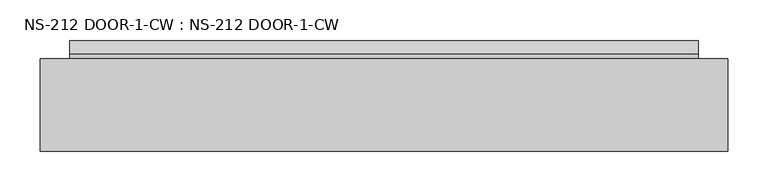
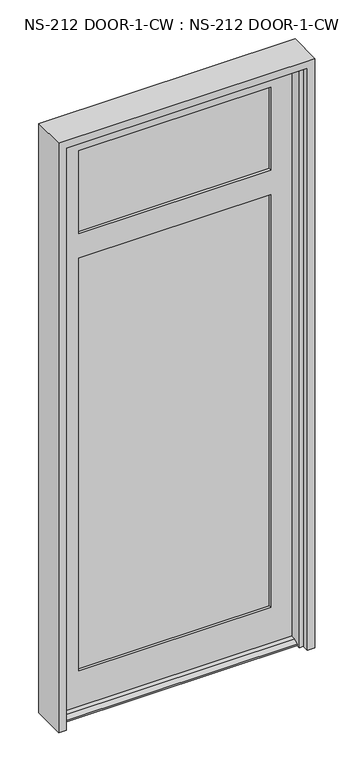
"""IFC4 building model written with IfcOpenShell, lengths in millimetres: plate geometry, NS-212 DOOR-1-CW : NS-212 DOOR-1-CW."""

from ifc_helpers import new_model, si_unit, frame, origin, place, context, project, spatial, polyline, outline, extrude, faceted_brep, source, transform, mapped, element, save


def ns_212_door_1_cw_ns_212_door_1_cw_ab19018a(model_context):
    return source(origin(), model_context, "Body", "SolidModel", [
        faceted_brep([(-391.7632958, -26.2585632, 0.0), (-391.7632958, -26.2585632, 2041.13765), (391.7632958, -26.2585632, 2041.13765), (391.7632958, -26.2585632, 0.0), (388.9946958, -26.2585632, 0.0), (388.9946958, -26.2585632, 12.7), (-388.9946958, -26.2585632, 12.7), (-388.9946958, -26.2585632, 0.0), (-318.7382958, -26.2585632, 138.1125), (318.7382958, -26.2585632, 138.1125), (318.7382958, -26.2585632, 1588.70015), (-318.7382958, -26.2585632, 1588.70015), (-318.7382958, -26.2585632, 1674.42515), (318.7382958, -26.2585632, 1674.42515), (318.7382958, -26.2585632, 1964.93765), (-318.7382958, -26.2585632, 1964.93765), (-318.7382958, -35.7835632, 1964.93765), (318.7382958, -35.7835632, 1964.93765), (-325.8820458, -35.7835632, 1972.0814), (-325.8820458, -35.7835632, 1667.2814), (325.8820458, -35.7835632, 1667.2814), (325.8820458, -35.7835632, 1972.0814), (-318.7382958, -35.7835632, 1674.42515), (318.7382958, -35.7835632, 1674.42515), (-325.8820458, -35.7835632, 1595.8439), (-325.8820458, -35.7835632, 130.96875), (325.8820458, -35.7835632, 130.96875), (325.8820458, -35.7835632, 1595.8439), (-318.7382958, -35.7835632, 138.1125), (-318.7382958, -35.7835632, 1588.70015), (318.7382958, -35.7835632, 1588.70015), (318.7382958, -35.7835632, 138.1125), (325.8820458, -61.1835632, 1972.0814), (-325.8820458, -61.1835632, 1972.0814), (-325.8820458, -61.1835632, 1667.2814), (325.8820458, -61.1835632, 1667.2814), (-318.7382958, -61.1835632, 1964.93765), (-318.7382958, -61.1835632, 1674.42515), (318.7382958, -61.1835632, 1674.42515), (318.7382958, -61.1835632, 1964.93765), (-325.8820458, -61.1835632, 130.96875), (-325.8820458, -61.1835632, 1595.8439), (325.8820458, -61.1835632, 1595.8439), (325.8820458, -61.1835632, 130.96875), (-318.7382958, -61.1835632, 1588.70015), (-318.7382958, -61.1835632, 138.1125), (318.7382958, -61.1835632, 138.1125), (318.7382958, -61.1835632, 1588.70015), (-318.7382958, -70.7085632, 1964.93765), (318.7382958, -70.7085632, 1964.93765), (-388.9946958, -70.7085632, 2041.13765), (-388.9946958, -70.7085632, 12.7), (388.9946958, -70.7085632, 12.7), (388.9946958, -70.7085632, 2041.13765), (-318.7382958, -70.7085632, 1588.70015), (318.7382958, -70.7085632, 1588.70015), (318.7382958, -70.7085632, 138.1125), (-318.7382958, -70.7085632, 138.1125), (-318.7382958, -70.7085632, 1674.42515), (318.7382958, -70.7085632, 1674.42515), (388.9946958, -87.3583086, 12.7), (388.9946958, -104.046154, 4.9183299), (388.9946958, -104.046154, 0.0), (388.9946958, -70.7085632, 0.0), (388.9946958, -2.4460632, 0.0), (388.9946958, -2.4460632, 4.9183299), (388.9946958, -19.1339086, 12.7), (-388.9946958, -19.1339086, 12.7), (-388.9946958, -2.4460632, 4.9183299), (-388.9946958, -2.4460632, 0.0), (-388.9946958, -104.046154, 0.0), (-388.9946958, -104.046154, 4.9183299), (-388.9946958, -87.3583086, 12.7), (-388.9946958, -70.7085632, 0.0)], [[[0, 1, 2, 3, 4, 5, 6, 7], [8, 9, 10, 11], [12, 13, 14, 15]], [[16, 15, 14, 17]], [[18, 19, 20, 21], [22, 16, 17, 23]], [[24, 25, 26, 27], [28, 29, 30, 31]], [[32, 33, 18, 21]], [[34, 33, 32, 35], [36, 37, 38, 39]], [[40, 41, 42, 43], [44, 45, 46, 47]], [[48, 36, 39, 49]], [[50, 51, 52, 53], [54, 55, 56, 57], [58, 48, 49, 59]], [[2, 1, 50, 53]], [[52, 60, 61, 62, 63]], [[64, 65, 66, 5, 4]], [[6, 67, 68, 69, 7]], [[70, 71, 72, 51, 73]], [[8, 28, 31, 9]], [[26, 25, 40, 43]], [[45, 57, 56, 46]], [[60, 52, 51, 72]], [[62, 70, 73, 0, 7, 69, 64, 4, 3, 63]], [[6, 5, 66, 67]], [[12, 22, 23, 13]], [[20, 19, 34, 35]], [[37, 58, 59, 38]], [[54, 44, 47, 55]], [[42, 41, 24, 27]], [[29, 11, 10, 30]], [[61, 60, 72, 71]], [[62, 61, 71, 70]], [[65, 64, 69, 68]], [[66, 65, 68, 67]], [[37, 36, 48, 58]], [[54, 57, 45, 44]], [[18, 33, 34, 19]], [[40, 25, 24, 41]], [[8, 11, 29, 28]], [[12, 15, 16, 22]], [[50, 1, 0, 73, 51]], [[2, 53, 52, 63, 3]], [[23, 17, 14, 13]], [[10, 9, 31, 30]], [[21, 20, 35, 32]], [[43, 42, 27, 26]], [[59, 49, 39, 38]], [[47, 46, 56, 55]]]),
        extrude(outline(polyline([(325.8820458, -35.7835632), (325.8820458, -42.1335632), (-325.8820458, -42.1335632), (-325.8820458, -35.7835632), (325.8820458, -35.7835632)])), frame((0.0, 0.0, 1667.2814), z_axis=(0.0, 0.0, 1.0), x_axis=(1.0, 0.0, 0.0)), (0.0, 0.0, 1.0), 304.8),
        extrude(outline(polyline([(325.8820458, -54.8335632), (325.8820458, -61.1835632), (-325.8820458, -61.1835632), (-325.8820458, -54.8335632), (325.8820458, -54.8335632)])), frame((0.0, 0.0, 1667.2814), z_axis=(0.0, 0.0, 1.0), x_axis=(1.0, 0.0, 0.0)), (0.0, 0.0, 1.0), 304.8),
        extrude(outline(polyline([(325.8820458, -35.7835632), (325.8820458, -42.1335632), (-325.8820458, -42.1335632), (-325.8820458, -35.7835632), (325.8820458, -35.7835632)])), frame((0.0, 0.0, 130.96875), z_axis=(0.0, 0.0, 1.0), x_axis=(1.0, 0.0, 0.0)), (0.0, 0.0, 1.0), 1464.87515),
        extrude(outline(polyline([(325.8820458, -54.8335632), (325.8820458, -61.1835632), (-325.8820458, -61.1835632), (-325.8820458, -54.8335632), (325.8820458, -54.8335632)])), frame((0.0, 0.0, 130.96875), z_axis=(0.0, 0.0, 1.0), x_axis=(1.0, 0.0, 0.0)), (0.0, 0.0, 1.0), 1464.87515),
        faceted_brep([(-425.45, -139.7, 2070.5064), (-425.45, -25.4, 2070.5064), (-425.45, -25.4, 0.0), (-425.45, -139.7, 0.0), (425.45, -25.4, 2070.5064), (425.45, -139.7, 2070.5064), (425.45, -139.7, 0.0), (425.45, -25.4, 0.0), (387.35, -116.713, 0.0), (400.05, -116.713, 0.0), (400.05, -116.713, 2045.1064), (-400.05, -116.713, 2045.1064), (-400.05, -116.713, 0.0), (-387.35, -116.713, 0.0), (-387.35, -116.713, 2032.4064), (387.35, -116.713, 2032.4064), (400.05, -139.7, 2045.1064), (-400.05, -139.7, 2045.1064), (-400.05, -139.7, 0.0), (400.05, -139.7, 0.0), (400.05, -25.4, 0.0), (400.05, -25.4, 2045.1064), (-400.05, -25.4, 2045.1064), (-400.05, -25.4, 0.0), (400.05, -75.438, 2045.1064), (-400.05, -75.438, 2045.1064), (400.05, -75.438, 0.0), (387.35, -75.438, 0.0), (387.35, -75.438, 2032.4064), (-387.35, -75.438, 2032.4064), (-387.35, -75.438, 0.0), (-400.05, -75.438, 0.0)], [[[0, 1, 2, 3]], [[4, 5, 6, 7]], [[8, 9, 10, 11, 12, 13, 14, 15]], [[11, 10, 16, 17]], [[0, 3, 18, 17, 16, 19, 6, 5]], [[4, 1, 0, 5]], [[2, 1, 4, 7, 20, 21, 22, 23]], [[21, 24, 25, 22]], [[26, 27, 28, 29, 30, 31, 25, 24]], [[28, 15, 14, 29]], [[27, 26, 20, 7, 6, 19, 9, 8]], [[20, 26, 24, 21]], [[9, 19, 16, 10]], [[27, 8, 15, 28]], [[30, 13, 12, 18, 3, 2, 23, 31]], [[13, 30, 29, 14]], [[18, 12, 11, 17]], [[25, 31, 23, 22]]]),
    ])


if __name__ == "__main__":
    model = new_model("IFC4")
    model_context = context("Model", 3, world=origin())
    ifc_project = project(units=[si_unit("LENGTHUNIT", "METRE", prefix="MILLI")], contexts=[model_context])
    site = spatial("IfcSite", under=ifc_project)
    building = spatial("IfcBuilding", under=site)
    placement = place(None, origin())
    ns_212_door_1_cw_ns_212_door_1_cw_shape = ns_212_door_1_cw_ns_212_door_1_cw_ab19018a(model_context)
    element("IfcPlate", 1, ObjectType="NS-212 DOOR-1-CW : NS-212 DOOR-1-CW", at=placement, inside=building, context=model_context, shape_type="MappedRepresentation", body=[
        mapped(ns_212_door_1_cw_ns_212_door_1_cw_shape, transform((0.0, 0.0, 0.0), x_axis=(1.0, 0.0, 0.0), y_axis=(0.0, 1.0, 0.0), z_axis=(0.0, 0.0, 1.0))),
    ])
    save(model, "model.ifc")
